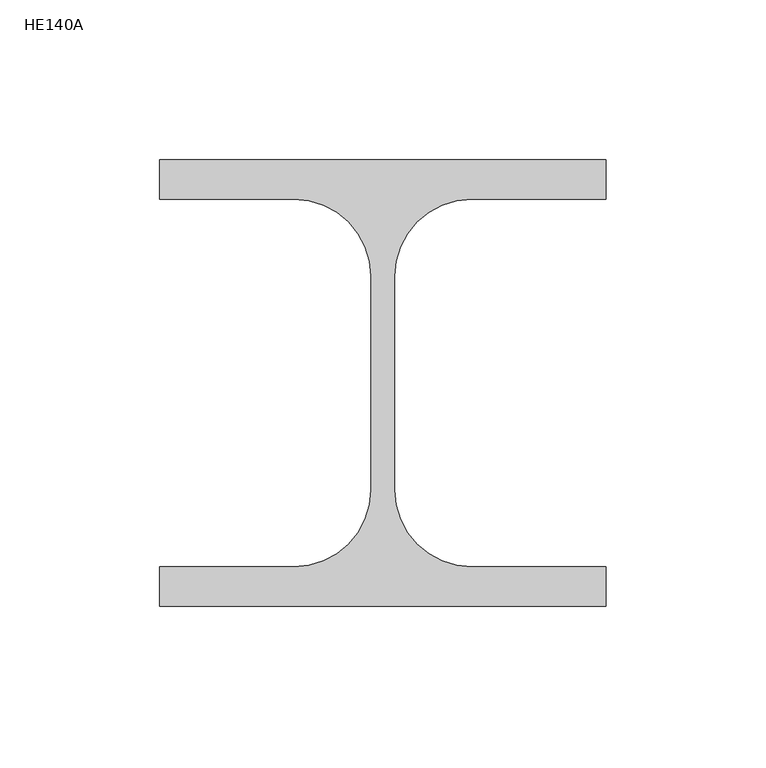
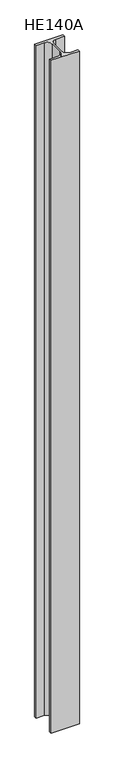
"""IFC4 building model written with IfcOpenShell, lengths in millimetres: column geometry, HE140A."""

from ifc_helpers import new_model, si_unit, point, frame, frame_2d, origin, place, context, project, spatial, polyline, circle_curve, trimmed, segment, composite_curve, outline, extrude, source, transform, mapped, element, save


def he140a_37b1ac97(model_context):
    return source(origin(), model_context, "Body", "SweptSolid", [
        extrude(outline(composite_curve([segment(polyline([(70.0, 70.0), (70.0, 57.5), (27.75, 57.5)]), True, "CONTINUOUS"), segment(trimmed(circle_curve(frame_2d((27.75, 33.5)), 24.0), [point((27.75, 57.5))], [point((3.75, 33.5))], True, "CARTESIAN"), True, "CONTINUOUS"), segment(polyline([(3.75, 33.5), (3.75, -33.5)]), True, "CONTINUOUS"), segment(trimmed(circle_curve(frame_2d((27.75, -33.5)), 24.0), [point((3.75, -33.5))], [point((27.75, -57.5))], True, "CARTESIAN"), True, "CONTINUOUS"), segment(polyline([(27.75, -57.5), (70.0, -57.5), (70.0, -70.0), (-70.0, -70.0), (-70.0, -57.5), (-27.75, -57.5)]), True, "CONTINUOUS"), segment(trimmed(circle_curve(frame_2d((-27.75, -33.5)), 24.0), [point((-27.75, -57.5))], [point((-3.75, -33.5))], True, "CARTESIAN"), True, "CONTINUOUS"), segment(polyline([(-3.75, -33.5), (-3.75, 33.5)]), True, "CONTINUOUS"), segment(trimmed(circle_curve(frame_2d((-27.75, 33.5)), 24.0), [point((-3.75, 33.5))], [point((-27.75, 57.5))], True, "CARTESIAN"), True, "CONTINUOUS"), segment(polyline([(-27.75, 57.5), (-70.0, 57.5), (-70.0, 70.0), (70.0, 70.0)]), True, "CONTINUOUS")], self_intersect=False)), frame((0.0, 0.0, -2300.0), z_axis=(0.0, 0.0, 1.0), x_axis=(1.0, 0.0, 0.0)), (0.0, 0.0, 1.0), 3520.0),
    ])


if __name__ == "__main__":
    model = new_model("IFC4")
    model_context = context("Model", 3, world=origin())
    ifc_project = project(units=[si_unit("LENGTHUNIT", "METRE", prefix="MILLI")], contexts=[model_context])
    site = spatial("IfcSite", under=ifc_project)
    building = spatial("IfcBuilding", under=site)
    placement = place(None, origin())
    he140a_shape = he140a_37b1ac97(model_context)
    element("IfcColumn", 1, ObjectType="HE140A", at=placement, inside=building, context=model_context, shape_type="MappedRepresentation", body=[
        mapped(he140a_shape, transform((0.0, 0.0, 0.0), x_axis=(1.0, 0.0, 0.0), y_axis=(0.0, 1.0, 0.0), z_axis=(0.0, 0.0, 1.0))),
    ])
    save(model, "model.ifc")
